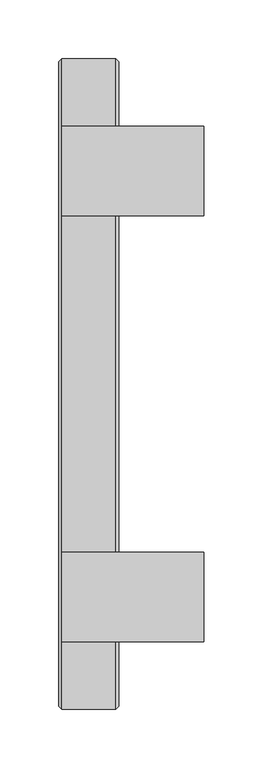
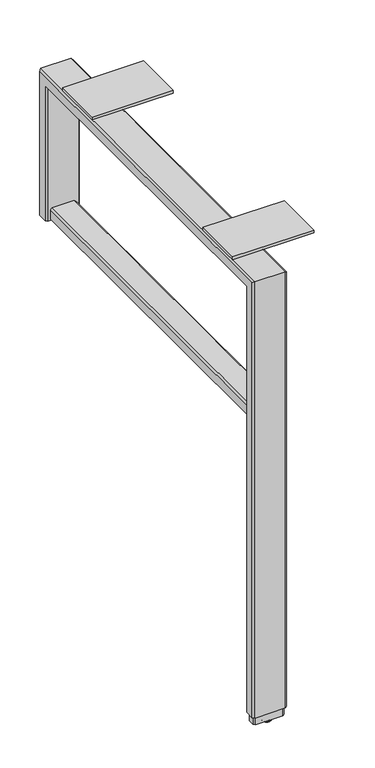
"""IFC4 building model written with IfcOpenShell, lengths in millimetres: furniture geometry."""

import ifcopenshell
import ifcopenshell.guid

model = None  # the IFC model being written
_history = None  # IfcOwnerHistory: only IFC2X3 demands one
_inside = {}  # id of a spatial element -> (the spatial element, [elements in it])
_under = {}  # id of a project, library or spatial element -> (it, [spatial elements below it])
_declared = {}  # id of a project -> (the project, [libraries it declares])
_typed = {}  # id of a type object -> (the type object, [elements of that type])
_made_of = {}  # id of a material, layer set ... -> (it, [elements and type objects made of it])


def new_model(schema):
    """Start an empty IFC model of exactly this schema.

    Asked for "IFC4X3", IfcOpenShell would pick the latest addendum, in which some entities
    have other attributes; the version numbers below select the first issue.
    IFC2X3 requires an IfcOwnerHistory on every rooted entity: one is made here for all.
    """
    global model, _history
    if schema == "IFC4X3":
        model = ifcopenshell.file(schema_version=(4, 3, 0, 0))
    else:
        model = ifcopenshell.file(schema=schema)
    _inside.clear()
    _under.clear()
    _declared.clear()
    _typed.clear()
    _made_of.clear()
    _history = None
    if model.schema == "IFC2X3":
        org = make("IfcOrganization", Name="unknown")
        user = make(
            "IfcPersonAndOrganization",
            ThePerson=make("IfcPerson", FamilyName="unknown"),
            TheOrganization=org,
        )
        app = make(
            "IfcApplication",
            ApplicationDeveloper=org,
            Version="unknown",
            ApplicationFullName="unknown",
            ApplicationIdentifier="unknown",
        )
        _history = make(
            "IfcOwnerHistory",
            OwningUser=user,
            OwningApplication=app,
            ChangeAction="ADDED",
            CreationDate=0,
        )
    return model


def make(cls, **values):
    """One entity of the class cls with the attributes given. An attribute that is None is left unset."""
    return model.create_entity(
        cls, **{name: value for name, value in values.items() if value is not None}
    )


def rooted(cls, **values):
    """An entity with a GlobalId (a new one), such as an element, a storey or a relation."""
    return make(cls, GlobalId=ifcopenshell.guid.new(), OwnerHistory=_history, **values)


def si_unit(unit_type, name, prefix=None):
    """IfcSIUnit, for example si_unit("LENGTHUNIT", "METRE", prefix="MILLI")."""
    return make("IfcSIUnit", UnitType=unit_type, Prefix=prefix, Name=name)


def assignment(units):
    """IfcUnitAssignment: the units of a project."""
    return None if units is None else make("IfcUnitAssignment", Units=units)


def point(xyz):
    """IfcCartesianPoint."""
    return None if xyz is None else make("IfcCartesianPoint", Coordinates=xyz)


def direction(xyz):
    """IfcDirection."""
    return None if xyz is None else make("IfcDirection", DirectionRatios=xyz)


def frame(location, z_axis=None, x_axis=None):
    """IfcAxis2Placement3D, a coordinate frame: its origin and axes. An axis left out is left unset."""
    return make(
        "IfcAxis2Placement3D",
        Location=point(location),
        Axis=direction(z_axis),
        RefDirection=direction(x_axis),
    )


def origin():
    """The frame at (0, 0, 0) with its axes left unset."""
    return frame((0.0, 0.0, 0.0))


def place(relative_to, where):
    """IfcLocalPlacement: puts the frame where relative to a parent placement (None: the world)."""
    return make(
        "IfcLocalPlacement", PlacementRelTo=relative_to, RelativePlacement=where
    )


def context(
    kind, dimensions, precision=None, world=None, true_north=None, identifier=None
):
    """IfcGeometricRepresentationContext, for example the 3D "Model" context."""
    return make(
        "IfcGeometricRepresentationContext",
        ContextIdentifier=identifier,
        ContextType=kind,
        CoordinateSpaceDimension=dimensions,
        Precision=precision,
        WorldCoordinateSystem=world,
        TrueNorth=true_north,
    )


def project(units=None, contexts=None):
    """IfcProject with its units and contexts."""
    return rooted(
        "IfcProject",
        Name="project",
        RepresentationContexts=contexts,
        UnitsInContext=assignment(units),
    )


def spatial(cls, under=None, at=None, **own):
    """A site, building, storey or space (cls), placed at a placement, below another one or the project."""
    s = rooted(cls, ObjectPlacement=at, **own)
    if under is not None:
        _under.setdefault(under.id(), (under, []))[1].append(s)
    return s


def polyline(points):
    """IfcPolyline through the points."""
    return make("IfcPolyline", Points=[point(p) for p in points])


def circle_curve(where, radius):
    """IfcCircle in the frame where."""
    return make("IfcCircle", Position=where, Radius=radius)


def ellipse_curve(where, semi_axis1, semi_axis2):
    """IfcEllipse in the frame where."""
    return make(
        "IfcEllipse", Position=where, SemiAxis1=semi_axis1, SemiAxis2=semi_axis2
    )


def trimmed(basis, trim1, trim2, sense, master):
    """IfcTrimmedCurve: the piece of a basis curve between two trims."""
    return make(
        "IfcTrimmedCurve",
        BasisCurve=basis,
        Trim1=trim1,
        Trim2=trim2,
        SenseAgreement=sense,
        MasterRepresentation=master,
    )


def outline(outer, holes=None, kind="AREA"):
    """IfcArbitraryClosedProfileDef: a profile drawn as a closed curve; with holes, ...WithVoids."""
    if holes is None:
        return make("IfcArbitraryClosedProfileDef", ProfileType=kind, OuterCurve=outer)
    return make(
        "IfcArbitraryProfileDefWithVoids",
        ProfileType=kind,
        OuterCurve=outer,
        InnerCurves=holes,
    )


def extrude(swept, where, along, depth):
    """IfcExtrudedAreaSolid: the profile swept, set in the frame where, extruded along a direction by depth."""
    return make(
        "IfcExtrudedAreaSolid",
        SweptArea=swept,
        Position=where,
        ExtrudedDirection=direction(along),
        Depth=depth,
    )


def faces_of(points, faces, orient=None, outer=None):
    """IfcFace entities. A face is a list of loops; a loop is a list of indices into points, from 0.

    orient and outer hold one flag for each loop. By default every Orientation is true, the
    first loop of a face is its IfcFaceOuterBound and the others are IfcFaceBound.
    """
    made = []
    for i, loops in enumerate(faces):
        bounds = []
        for j, loop in enumerate(loops):
            is_outer = j == 0 if outer is None else outer[i][j]
            bounds.append(
                make(
                    "IfcFaceOuterBound" if is_outer else "IfcFaceBound",
                    Bound=make("IfcPolyLoop", Polygon=[points[k] for k in loop]),
                    Orientation=True if orient is None else orient[i][j],
                )
            )
        made.append(make("IfcFace", Bounds=bounds))
    return made


def faceted_brep(points, faces, orient=None, outer=None, voids=None):
    """IfcFacetedBrep: a solid bounded by flat faces; with voids (closed shells), ...WithVoids."""
    shared = [point(p) for p in points]
    hull = make("IfcClosedShell", CfsFaces=faces_of(shared, faces, orient, outer))
    if voids is None:
        return make("IfcFacetedBrep", Outer=hull)
    return make(
        "IfcFacetedBrepWithVoids",
        Outer=hull,
        Voids=[
            make(cls, CfsFaces=faces_of(shared, fs, o, b)) for cls, fs, o, b in voids
        ],
    )


def shape(context_of_items, identifier, shape_type, items):
    """IfcShapeRepresentation: the items that make up one representation, for example the "Body"."""
    return make(
        "IfcShapeRepresentation",
        ContextOfItems=context_of_items,
        RepresentationIdentifier=identifier,
        RepresentationType=shape_type,
        Items=items,
    )


def source(mapping_origin, context_of_items, identifier, shape_type, items):
    """IfcRepresentationMap: a shape defined once, which mapped items show again and again."""
    return make(
        "IfcRepresentationMap",
        MappingOrigin=mapping_origin,
        MappedRepresentation=shape(context_of_items, identifier, shape_type, items),
    )


def transform(
    local_origin,
    x_axis=None,
    y_axis=None,
    z_axis=None,
    scale=None,
    scale2=None,
    scale3=None,
    uniform=True,
):
    """IfcCartesianTransformationOperator3D, or its non-uniform kind. x_axis, y_axis, z_axis: its Axis1, 2, 3."""
    if uniform:
        return make(
            "IfcCartesianTransformationOperator3D",
            Axis1=direction(x_axis),
            Axis2=direction(y_axis),
            LocalOrigin=point(local_origin),
            Scale=scale,
            Axis3=direction(z_axis),
        )
    return make(
        "IfcCartesianTransformationOperator3DnonUniform",
        Axis1=direction(x_axis),
        Axis2=direction(y_axis),
        LocalOrigin=point(local_origin),
        Scale=scale,
        Axis3=direction(z_axis),
        Scale2=scale2,
        Scale3=scale3,
    )


def mapped(mapping_source, mapping_target):
    """IfcMappedItem: shows the shape of a source again, moved by a transform."""
    return make(
        "IfcMappedItem", MappingSource=mapping_source, MappingTarget=mapping_target
    )


def made_of(thing, what):
    """Note that an element or type object is made of a material, layer set ...; save() writes the relation."""
    if what is not None:
        _made_of.setdefault(what.id(), (what, []))[1].append(thing)
    return thing


def element(
    cls,
    number,
    at=None,
    inside=None,
    cuts=None,
    type_object=None,
    material=None,
    context=None,
    identifier="Body",
    shape_type=None,
    held_by="IfcProductDefinitionShape",
    body=None,
    shapes=None,
    **own,
):
    """One element of the class cls, such as IfcWall. Its Tag is "e" and its number.

    at: its placement. inside: the storey or other place that contains it. cuts: it is an
    opening in that element (IfcRelVoidsElement). A single representation is given by context,
    identifier, shape_type and body (its items); several are given by shapes. held_by: the class
    of the entity that holds the representations. save() writes the other relations.
    """
    e = rooted(cls, Tag="e%d" % number, ObjectPlacement=at, **own)
    if body is not None:
        shapes = [shape(context, identifier, shape_type, body)]
    if shapes is not None:
        e.Representation = make(held_by, Representations=shapes)
    if inside is not None:
        _inside.setdefault(inside.id(), (inside, []))[1].append(e)
    if cuts is not None:
        rooted(
            "IfcRelVoidsElement", RelatingBuildingElement=cuts, RelatedOpeningElement=e
        )
    if type_object is not None:
        _typed.setdefault(type_object.id(), (type_object, []))[1].append(e)
    return made_of(e, material)


def aggregate(whole, parts):
    """IfcRelAggregates: a whole, such as a stair, and the parts it consists of."""
    return rooted("IfcRelAggregates", RelatingObject=whole, RelatedObjects=parts)


def save(model, path):
    """Write the relations noted so far, then the file.

    IfcRelAggregates (storeys below a building ...), IfcRelContainedInSpatialStructure (elements
    in a storey), IfcRelDefinesByType, IfcRelAssociatesMaterial and IfcRelDeclares: one each for
    every whole, place, type object, material and project.
    """
    for whole, parts in _under.values():
        aggregate(whole, parts)
    for where, things in _inside.values():
        rooted(
            "IfcRelContainedInSpatialStructure",
            RelatedElements=things,
            RelatingStructure=where,
        )
    for kind, things in _typed.values():
        rooted("IfcRelDefinesByType", RelatedObjects=things, RelatingType=kind)
    for what, things in _made_of.values():
        rooted("IfcRelAssociatesMaterial", RelatedObjects=things, RelatingMaterial=what)
    for by, libraries in _declared.values():
        rooted("IfcRelDeclares", RelatingContext=by, RelatedDefinitions=libraries)
    model.write(path)


def plane_surface(at):
    """IfcPlane: the flat surface through the origin of the frame at, square to its z axis."""
    return make("IfcPlane", Position=at)


def cylinder_surface(at, radius):
    """IfcCylindricalSurface: all points at the distance radius from the z axis of the frame at."""
    return make("IfcCylindricalSurface", Position=at, Radius=radius)


def revolved_surface(curve, axis_point, axis_direction):
    """IfcSurfaceOfRevolution: the curve turned about the line through axis_point along axis_direction."""
    return make(
        "IfcSurfaceOfRevolution",
        SweptCurve=make("IfcArbitraryOpenProfileDef", ProfileType="CURVE", Curve=curve),
        AxisPosition=make("IfcAxis1Placement", Location=point(axis_point), Axis=direction(axis_direction)),
    )


def advanced_brep(points, edges, surfaces, faces):
    """IfcAdvancedBrep: a solid bounded by faces that lie on surfaces and meet in shared edges.

    An edge is (start, end): straight between two places in points (the first is 0);
    or (start, end, curve); or (start, end, curve, False) where it runs against its curve.
    A face is (place in surfaces, loops), or (place, loops, False) where it looks against
    its surface's normal. A loop lists edges by number (the first is 1), with a minus sign
    where the edge is run from its end to its start. The first loop is the outer one.
    """
    corners = [point(p) for p in points]
    vertices = [make("IfcVertexPoint", VertexGeometry=c) for c in corners]
    made = []
    for start, end, *more in edges:
        made.append(
            make(
                "IfcEdgeCurve",
                EdgeStart=vertices[start],
                EdgeEnd=vertices[end],
                EdgeGeometry=more[0] if more else make("IfcPolyline", Points=[corners[start], corners[end]]),
                SameSense=more[1] if len(more) > 1 else True,
            )
        )
    hull = []
    for where, loops, *sense in faces:
        bounds = []
        for j, loop in enumerate(loops):
            ring = [make("IfcOrientedEdge", EdgeElement=made[abs(k) - 1], Orientation=k > 0) for k in loop]
            bounds.append(
                make(
                    "IfcFaceOuterBound" if j == 0 else "IfcFaceBound",
                    Bound=make("IfcEdgeLoop", EdgeList=ring),
                    Orientation=True,
                )
            )
        hull.append(make("IfcAdvancedFace", Bounds=bounds, FaceSurface=surfaces[where], SameSense=sense[0] if sense else True))
    return make("IfcAdvancedBrep", Outer=make("IfcClosedShell", CfsFaces=hull))


def furniture_a1686de4(model_context):
    return source(origin(), model_context, "Body", "SolidModel", [
        extrude(outline(polyline([(-638.808801, -171.5770123), (-638.808801, -247.7770123), (-759.458801, -247.7770123), (-759.458801, -171.5770123), (-638.808801, -171.5770123)])), frame((0.0, 0.0, 702.5386222), z_axis=(0.0, 0.0, 1.0), x_axis=(1.0, 0.0, 0.0)), (0.0, 0.0, 1.0), 4.3434),
        extrude(outline(polyline([(-638.808801, 190.6777877), (-638.808801, 114.4777877), (-759.458801, 114.4777877), (-759.458801, 190.6777877), (-638.808801, 190.6777877)])), frame((0.0, 0.0, 702.5386222), z_axis=(0.0, 0.0, 1.0), x_axis=(1.0, 0.0, 0.0)), (0.0, 0.0, 1.0), 4.3434),
        extrude(outline(polyline([(476.3769908, -755.6487993), (473.8369932, -753.1088017), (473.8369932, -720.0887986), (476.3769908, -717.548801), (490.3469956, -717.548801), (492.8869932, -720.0887986), (492.8869932, -753.1087989), (490.3469928, -755.6487993), (476.3769908, -755.6487993)])), frame((0.0, -285.8770123, 0.0), z_axis=(0.0, 1.0, 0.0), x_axis=(0.0, 0.0, 1.0)), (0.0, 0.0, 1.0), 514.6548),
        advanced_brep(
        [(-731.5193954, -295.4020123, 0.0), (-741.6793993, -295.4020123, 0.0), (-736.5993974, -295.4020123, 0.0), (-736.5993974, -295.4020123, 3.8100001), (-743.2220422, -295.4020123, 3.8100001), (-729.9767525, -295.4020123, 3.8100001), (-743.7113974, -295.4020123, 3.183654), (-729.4873973, -295.4020123, 3.183654), (-743.7113974, -295.4020123, 2.032), (-729.4873973, -295.4020123, 2.032)],
        [
            (0, 1, circle_curve(frame((-736.5993974, -295.4020123, 0.0), z_axis=(0.0, 0.0, -1.0), x_axis=(-1.0, 0.0, 0.0)), 5.080002)),
            (1, 2),
            (2, 0),
            (1, 0, circle_curve(frame((-736.5993974, -295.4020123, 0.0), z_axis=(0.0, 0.0, -1.0), x_axis=(-1.0, 0.0, 0.0)), 5.080002)),
            (3, 4),
            (4, 5, circle_curve(frame((-736.5993974, -295.4020123, 3.8100001), z_axis=(0.0, 0.0, 1.0), x_axis=(-1.0, 0.0, 0.0)), 6.6226448)),
            (5, 3),
            (5, 4, circle_curve(frame((-736.5993974, -295.4020123, 3.8100001), z_axis=(0.0, 0.0, 1.0), x_axis=(-1.0, 0.0, 0.0)), 6.6226448)),
            (4, 6),
            (6, 7, circle_curve(frame((-736.5993974, -295.4020123, 3.183654), z_axis=(0.0, 0.0, 1.0), x_axis=(-1.0, 0.0, 0.0)), 7.112)),
            (7, 5),
            (7, 6, circle_curve(frame((-736.5993974, -295.4020123, 3.183654), z_axis=(0.0, 0.0, 1.0), x_axis=(-1.0, 0.0, 0.0)), 7.112)),
            (6, 8),
            (8, 9, circle_curve(frame((-736.5993974, -295.4020123, 2.032), z_axis=(0.0, 0.0, 1.0), x_axis=(-1.0, 0.0, 0.0)), 7.112)),
            (9, 7),
            (9, 8, circle_curve(frame((-736.5993974, -295.4020123, 2.032), z_axis=(0.0, 0.0, 1.0), x_axis=(-1.0, 0.0, 0.0)), 7.112)),
            (8, 1, circle_curve(frame((-740.2425579, -295.4020123, 3.4688381), z_axis=(0.0, -1.0, 0.0), x_axis=(-1.0, 0.0, 0.0)), 3.7546439)),
            (0, 9, circle_curve(frame((-732.9562368, -295.4020123, 3.4688381), z_axis=(0.0, -1.0, 0.0), x_axis=(1.0, 0.0, 0.0)), 3.7546439)),
        ],
        [
            plane_surface(frame((-736.5993974, -295.4020123, 0.0), z_axis=(0.0, 0.0, -1.0), x_axis=(-1.0, 0.0, 0.0))),
            plane_surface(frame((-736.5993974, -295.4020123, 3.8100001), z_axis=(0.0, 0.0, 1.0), x_axis=(-1.0, 0.0, 0.0))),
            revolved_surface(polyline([(-743.7113974, -295.4020123, 3.183654), (-743.2220422, -295.4020123, 3.8100001)]), (-736.5993974, -295.4020123, -2.6032322), (0.0, 0.0, 1.0)),
            cylinder_surface(frame((-736.5993974, -295.4020123, -2.6032322), z_axis=(0.0, 0.0, 1.0), x_axis=(-1.0, 0.0, 0.0)), 7.112),
            revolved_surface(trimmed(ellipse_curve(frame((-740.2425579, -295.4020123, 3.4688381), z_axis=(0.0, 1.0, 0.0), x_axis=(-1.0, 0.0, 0.0)), 3.7546439, 3.7546439), [point((-741.6793993, -295.4020123, 0.0))], [point((-743.7113974, -295.4020123, 2.032))], True, "CARTESIAN"), (-736.5993974, -295.4020123, -2.6032322), (0.0, 0.0, 1.0)),
        ],
        [
            (0, [[1, 2, 3]]),
            (0, [[4, -3, -2]]),
            (1, [[5, 6, 7]]),
            (1, [[-7, 8, -5]]),
            (2, [[-6, 9, 10, 11]]),
            (2, [[-8, -11, 12, -9]]),
            (3, [[-10, 13, 14, 15]]),
            (3, [[-12, -15, 16, -13]]),
            (4, [[-14, 17, -1, 18]]),
            (4, [[-16, -18, -4, -17]]),
        ],
    ),
        extrude(outline(polyline([(-757.0458011, -288.2900191), (-716.1523987, -288.2900191), (-713.6118022, -290.8300166), (-713.6118022, -299.9740079), (-716.1523987, -302.5140055), (-757.0458011, -302.5140055), (-759.5858009, -299.9740079), (-759.5858009, -290.8300166), (-757.0458011, -288.2900191)])), frame((0.0, 0.0, 3.8100001), z_axis=(0.0, 0.0, 1.0), x_axis=(1.0, 0.0, 0.0)), (0.0, 0.0, 1.0), 12.6999999),
        faceted_brep([(-761.9994011, -302.3870147, 16.51), (-761.9994011, -288.4170098, 16.51), (-759.4594011, -285.8770123, 16.51), (-713.7394021, -285.8770123, 16.51), (-711.1994, -288.4170144, 16.51), (-711.1994, -302.3870102, 16.51), (-713.7394021, -304.9270123, 16.51), (-759.4594011, -304.9270123, 16.51), (-761.9994011, -302.3870147, 699.9986246), (-761.9994011, 245.2877902, 699.9986246), (-761.9994011, 245.2877902, 473.8369932), (-761.9994011, 231.3177853, 473.8369932), (-761.9994011, 231.3177853, 686.0286198), (-761.9994011, -288.4170098, 686.0286198), (-759.4594011, -285.8770123, 683.4886222), (-713.7394021, -285.8770123, 683.4886222), (-711.1994, -288.4170144, 686.0286243), (-711.1994, 231.3177898, 686.0286243), (-711.1994, 231.3177898, 473.8369932), (-711.1994, 245.2877856, 473.8369932), (-711.1994, 245.2877856, 699.9986201), (-711.1994, -302.3870102, 699.9986201), (-713.7394021, -304.9270123, 702.5386222), (-759.4594011, -304.9270123, 702.5386222), (-759.4594011, 228.7777877, 683.4886222), (-713.7394021, 228.7777877, 683.4886222), (-713.7394021, 247.8277877, 702.5386222), (-759.4594011, 247.8277877, 702.5386222), (-759.4594011, 228.7777877, 473.8369932), (-713.7394021, 228.7777877, 473.8369932), (-713.7394021, 247.8277877, 473.8369932), (-759.4594011, 247.8277877, 473.8369932)], [[[0, 1, 2, 3, 4, 5, 6, 7]], [[1, 0, 8, 9, 10, 11, 12, 13]], [[2, 1, 13, 14]], [[3, 2, 14, 15]], [[5, 4, 16, 17, 18, 19, 20, 21]], [[6, 5, 21, 22]], [[7, 6, 22, 23]], [[0, 7, 23, 8]], [[14, 13, 12, 24]], [[15, 14, 24, 25]], [[22, 21, 20, 26]], [[23, 22, 26, 27]], [[8, 23, 27, 9]], [[24, 12, 11, 28]], [[25, 24, 28, 29]], [[26, 20, 19, 30]], [[27, 26, 30, 31]], [[9, 27, 31, 10]], [[10, 31, 30, 19, 18, 29, 28, 11]], [[4, 3, 15, 16]], [[16, 15, 25, 17]], [[17, 25, 29, 18]]]),
    ])


if __name__ == "__main__":
    model = new_model("IFC4")
    model_context = context("Model", 3, world=origin())
    ifc_project = project(units=[si_unit("LENGTHUNIT", "METRE", prefix="MILLI")], contexts=[model_context])
    site = spatial("IfcSite", under=ifc_project)
    building = spatial("IfcBuilding", under=site)
    placement = place(None, origin())
    furniture_shape = furniture_a1686de4(model_context)
    element("IfcFurniture", 1, at=placement, inside=building, context=model_context, shape_type="MappedRepresentation", body=[
        mapped(furniture_shape, transform((0.0, 0.0, 0.0), x_axis=(1.0, 0.0, 0.0), y_axis=(0.0, 1.0, 0.0), z_axis=(0.0, 0.0, 1.0))),
    ])
    save(model, "model.ifc")
